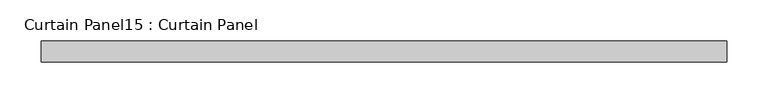
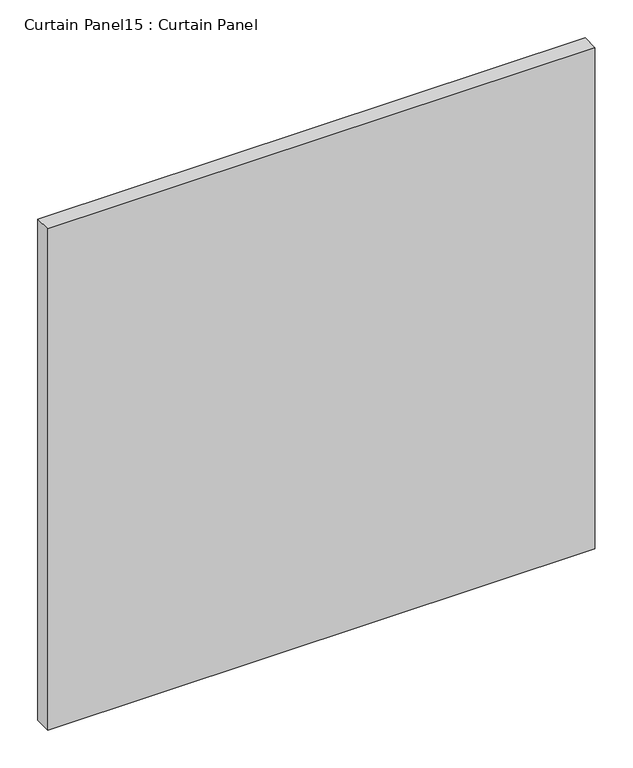
"""IFC4 building model written with IfcOpenShell, lengths in millimetres: plate geometry, Curtain Panel15 : Curtain Panel."""

from ifc_helpers import new_model, si_unit, frame, origin, place, context, project, spatial, polyline, outline, extrude, source, transform, mapped, element, save


def curtain_panel15_curtain_panel_d66409fe(model_context):
    return source(origin(), model_context, "Body", "SweptSolid", [
        extrude(outline(polyline([(53370.7903075, 2514.0505002), (52538.9406472, 2514.0505002), (52538.9406472, 2539.4505002), (53370.7903075, 2539.4505002), (53370.7903075, 2514.0505002)])), frame((0.0, 0.0, 1180.0782581), z_axis=(0.0, 0.0, 1.0), x_axis=(1.0, 0.0, 0.0)), (0.0, 0.0, 1.0), 805.2804009),
    ])


if __name__ == "__main__":
    model = new_model("IFC4")
    model_context = context("Model", 3, world=origin())
    ifc_project = project(units=[si_unit("LENGTHUNIT", "METRE", prefix="MILLI")], contexts=[model_context])
    site = spatial("IfcSite", under=ifc_project)
    building = spatial("IfcBuilding", under=site)
    placement = place(None, origin())
    curtain_panel15_curtain_panel_shape = curtain_panel15_curtain_panel_d66409fe(model_context)
    element("IfcPlate", 1, ObjectType="Curtain Panel15 : Curtain Panel", at=placement, inside=building, context=model_context, shape_type="MappedRepresentation", body=[
        mapped(curtain_panel15_curtain_panel_shape, transform((0.0, 0.0, 0.0), x_axis=(1.0, 0.0, 0.0), y_axis=(0.0, 1.0, 0.0), z_axis=(0.0, 0.0, 1.0))),
    ])
    save(model, "model.ifc")
